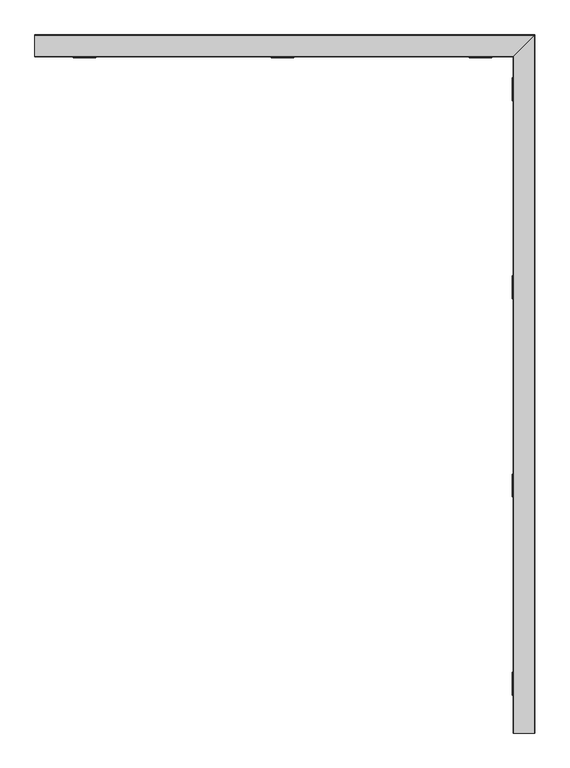
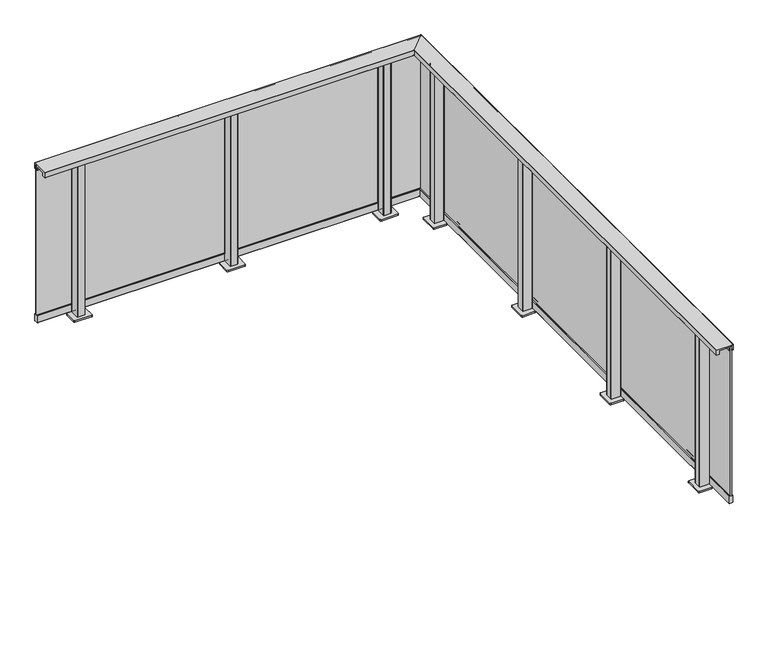
"""IFC4 building model written with IfcOpenShell, lengths in millimetres: railing geometry."""

from ifc_helpers import new_model, si_unit, point, frame, frame_2d, origin, origin_with_axes, place, context, project, spatial, polyline, circle_curve, ellipse_curve, trimmed, segment, composite_curve, outline, extrude, faceted_brep, source, transform, mapped, element, save
from ifc_brep_helpers import plane_surface, cylinder_surface, revolved_surface, advanced_brep


def railing_81383628(model_context):
    return source(origin(), model_context, "Body", "SolidModel", [
        advanced_brep(
        [(4306.0014149, -14629.5008183, 1100.0), (4305.5014149, -14629.5008183, 1099.5), (4305.5014149, -14629.5008183, 1065.5384355), (4306.0014149, -14629.5008183, 1065.0384355), (4325.4566873, -14629.5008183, 1065.0384355), (4325.4566873, -14629.5008183, 1088.0384355), (4391.4566873, -14629.5008183, 1088.0384355), (4391.4566873, -14629.5008183, 1065.0590672), (4394.2566873, -14629.5008183, 1065.0590672), (4394.2566873, -14629.5008183, 1066.2590672), (4393.4566873, -14629.5008183, 1066.2590672), (4393.4566873, -14629.5008183, 1097.5), (4393.9566873, -14629.5008183, 1098.0), (4410.9625786, -14629.5008183, 1098.0), (4411.4625786, -14629.5008183, 1097.5), (4411.4625786, -14629.5008183, 1066.2590672), (4410.6625786, -14629.5008183, 1066.2590672), (4410.6625786, -14629.5008183, 1065.0590672), (4414.9625786, -14629.5008183, 1065.0590672), (4415.4625786, -14629.5008183, 1065.5590672), (4415.4625786, -14629.5008183, 1099.5), (4414.9625786, -14629.5008183, 1100.0), (4306.0014149, -11214.4814002, 1100.0), (4305.5014149, -11214.9814002, 1099.5), (4305.5014149, -11214.9814002, 1065.5384355), (4306.0014149, -11214.4814002, 1065.0384355), (4325.4566873, -11195.0261277, 1065.0384355), (4325.4566873, -11195.0261277, 1088.0384355), (4391.4566873, -11129.0261277, 1088.0384355), (4391.4566873, -11129.0261277, 1065.0590672), (4394.2566873, -11126.2261277, 1065.0590672), (4394.2566873, -11126.2261277, 1066.2590672), (4393.4566873, -11127.0261277, 1066.2590672), (4393.4566873, -11127.0261277, 1097.5), (4393.9566873, -11126.5261277, 1098.0), (4410.9625786, -11109.5202365, 1098.0), (4411.4625786, -11109.0202365, 1097.5), (4411.4625786, -11109.0202365, 1066.2590672), (4410.6625786, -11109.8202365, 1066.2590672), (4410.6625786, -11109.8202365, 1065.0590672), (4414.9625786, -11105.5202365, 1065.0590672), (4415.4625786, -11105.0202365, 1065.5590672), (4415.4625786, -11105.0202365, 1099.5), (4414.9625786, -11105.5202365, 1100.0), (1890.9819967, -11214.4814002, 1100.0), (1890.9819967, -11105.5202365, 1100.0), (1890.9819967, -11105.0202365, 1099.5), (1890.9819967, -11105.0202365, 1065.5590672), (1890.9819967, -11105.5202365, 1065.0590672), (1890.9819967, -11109.8202365, 1065.0590672), (1890.9819967, -11109.8202365, 1066.2590672), (1890.9819967, -11109.0202365, 1066.2590672), (1890.9819967, -11109.0202365, 1097.5), (1890.9819967, -11109.5202365, 1098.0), (1890.9819967, -11126.5261277, 1098.0), (1890.9819967, -11127.0261277, 1097.5), (1890.9819967, -11127.0261277, 1066.2590672), (1890.9819967, -11126.2261277, 1066.2590672), (1890.9819967, -11126.2261277, 1065.0590672), (1890.9819967, -11129.0261277, 1065.0590672), (1890.9819967, -11129.0261277, 1088.0384355), (1890.9819967, -11195.0261277, 1088.0384355), (1890.9819967, -11195.0261277, 1065.0384355), (1890.9819967, -11214.4814002, 1065.0384355), (1890.9819967, -11214.9814002, 1065.5384355), (1890.9819967, -11214.9814002, 1099.5)],
        [
            (0, 1, circle_curve(frame((4306.0014149, -14629.5008183, 1099.5), z_axis=(0.0, -1.0, 0.0), x_axis=(1.0, 0.0, 0.0)), 0.5)),
            (1, 2),
            (2, 3, circle_curve(frame((4306.0014149, -14629.5008183, 1065.5384355), z_axis=(0.0, -1.0, 0.0), x_axis=(1.0, 0.0, 0.0)), 0.5)),
            (3, 4),
            (4, 5),
            (5, 6),
            (6, 7),
            (7, 8),
            (8, 9),
            (9, 10),
            (10, 11),
            (11, 12, circle_curve(frame((4393.9566873, -14629.5008183, 1097.5), z_axis=(0.0, 1.0, 0.0), x_axis=(1.0, 0.0, 0.0)), 0.5)),
            (12, 13),
            (13, 14, circle_curve(frame((4410.9625786, -14629.5008183, 1097.5), z_axis=(0.0, 1.0, 0.0), x_axis=(1.0, 0.0, 0.0)), 0.5)),
            (14, 15),
            (15, 16),
            (16, 17),
            (17, 18),
            (18, 19, circle_curve(frame((4414.9625786, -14629.5008183, 1065.5590672), z_axis=(0.0, -1.0, 0.0), x_axis=(1.0, 0.0, 0.0)), 0.5)),
            (19, 20),
            (20, 21, circle_curve(frame((4414.9625786, -14629.5008183, 1099.5), z_axis=(0.0, -1.0, 0.0), x_axis=(1.0, 0.0, 0.0)), 0.5)),
            (21, 0),
            (0, 22),
            (22, 23, ellipse_curve(frame((4306.0014149, -11214.4814002, 1099.5), z_axis=(0.7071067811865467, -0.7071067811865482, 0.0), x_axis=(-0.7071067811865482, -0.7071067811865469, 0.0)), 0.7071068, 0.5)),
            (23, 1),
            (23, 24),
            (24, 2),
            (24, 25, ellipse_curve(frame((4306.0014149, -11214.4814002, 1065.5384355), z_axis=(0.7071067811865467, -0.7071067811865482, 0.0), x_axis=(-0.7071067811865482, -0.7071067811865469, 0.0)), 0.7071068, 0.5)),
            (25, 3),
            (25, 26),
            (26, 4),
            (26, 27),
            (27, 5),
            (27, 28),
            (28, 6),
            (28, 29),
            (29, 7),
            (29, 30),
            (30, 8),
            (30, 31),
            (31, 9),
            (31, 32),
            (32, 10),
            (32, 33),
            (33, 11),
            (33, 34, ellipse_curve(frame((4393.9566873, -11126.5261277, 1097.5), z_axis=(-0.7071067811865467, 0.7071067811865482, 0.0), x_axis=(0.7071067811865482, 0.7071067811865469, 0.0)), 0.7071068, 0.5)),
            (34, 12),
            (34, 35),
            (35, 13),
            (35, 36, ellipse_curve(frame((4410.9625786, -11109.5202365, 1097.5), z_axis=(-0.7071067811865467, 0.7071067811865482, 0.0), x_axis=(0.7071067811865482, 0.7071067811865469, 0.0)), 0.7071068, 0.5)),
            (36, 14),
            (36, 37),
            (37, 15),
            (37, 38),
            (38, 16),
            (38, 39),
            (39, 17),
            (39, 40),
            (40, 18),
            (40, 41, ellipse_curve(frame((4414.9625786, -11105.5202365, 1065.5590672), z_axis=(0.7071067811865467, -0.7071067811865482, 0.0), x_axis=(-0.7071067811865482, -0.7071067811865469, 0.0)), 0.7071068, 0.5)),
            (41, 19),
            (41, 42),
            (42, 20),
            (42, 43, ellipse_curve(frame((4414.9625786, -11105.5202365, 1099.5), z_axis=(0.7071067811865467, -0.7071067811865482, 0.0), x_axis=(-0.7071067811865482, -0.7071067811865469, 0.0)), 0.7071068, 0.5)),
            (43, 21),
            (43, 22),
            (44, 45),
            (45, 46, circle_curve(frame((1890.9819967, -11105.5202365, 1099.5), z_axis=(-1.0, 0.0, 0.0), x_axis=(0.0, 1.0, 0.0)), 0.5)),
            (46, 47),
            (47, 48, circle_curve(frame((1890.9819967, -11105.5202365, 1065.5590672), z_axis=(-1.0, 0.0, 0.0), x_axis=(0.0, 1.0, 0.0)), 0.5)),
            (48, 49),
            (49, 50),
            (50, 51),
            (51, 52),
            (52, 53, circle_curve(frame((1890.9819967, -11109.5202365, 1097.5), z_axis=(1.0, 0.0, 0.0), x_axis=(0.0, 1.0, 0.0)), 0.5)),
            (53, 54),
            (54, 55, circle_curve(frame((1890.9819967, -11126.5261277, 1097.5), z_axis=(1.0, 0.0, 0.0), x_axis=(0.0, 1.0, 0.0)), 0.5)),
            (55, 56),
            (56, 57),
            (57, 58),
            (58, 59),
            (59, 60),
            (60, 61),
            (61, 62),
            (62, 63),
            (63, 64, circle_curve(frame((1890.9819967, -11214.4814002, 1065.5384355), z_axis=(-1.0, 0.0, 0.0), x_axis=(0.0, 1.0, 0.0)), 0.5)),
            (64, 65),
            (65, 44, circle_curve(frame((1890.9819967, -11214.4814002, 1099.5), z_axis=(-1.0, 0.0, 0.0), x_axis=(0.0, 1.0, 0.0)), 0.5)),
            (22, 44),
            (65, 23),
            (64, 24),
            (63, 25),
            (62, 26),
            (61, 27),
            (60, 28),
            (59, 29),
            (58, 30),
            (57, 31),
            (56, 32),
            (55, 33),
            (54, 34),
            (53, 35),
            (52, 36),
            (51, 37),
            (50, 38),
            (49, 39),
            (48, 40),
            (47, 41),
            (46, 42),
            (45, 43),
        ],
        [
            plane_surface(frame((4360.4819967, -14629.5008183, 1100.0), z_axis=(0.0, -1.0, 0.0), x_axis=(0.0, 0.0, 1.0))),
            cylinder_surface(frame((4306.0014149, -14629.5008183, 1099.5), z_axis=(0.0, -1.0, 0.0), x_axis=(1.0, 0.0, 0.0)), 0.5),
            plane_surface(frame((4305.5014149, -14629.5008183, 1099.5), z_axis=(-1.0, 0.0, 0.0), x_axis=(0.0, 1.0, 0.0))),
            cylinder_surface(frame((4306.0014149, -14629.5008183, 1065.5384355), z_axis=(0.0, -1.0, 0.0), x_axis=(1.0, 0.0, 0.0)), 0.5),
            plane_surface(frame((4306.0014149, -14629.5008183, 1065.0384355), z_axis=(0.0, 0.0, -1.0), x_axis=(0.0, 1.0, 0.0))),
            plane_surface(frame((4325.4566873, -14629.5008183, 1065.0384355), z_axis=(1.0, 0.0, 0.0), x_axis=(0.0, 1.0, 0.0))),
            plane_surface(frame((4325.4566873, -14629.5008183, 1088.0384355), z_axis=(0.0, 0.0, -1.0), x_axis=(0.0, 1.0, 0.0))),
            plane_surface(frame((4391.4566873, -14629.5008183, 1088.0384355), z_axis=(-1.0, 0.0, 0.0), x_axis=(0.0, 1.0, 0.0))),
            plane_surface(frame((4391.4566873, -14629.5008183, 1065.0590672), z_axis=(0.0, 0.0, -1.0), x_axis=(0.0, 1.0, 0.0))),
            plane_surface(frame((4394.2566873, -14629.5008183, 1065.0590672), z_axis=(1.0, 0.0, 0.0), x_axis=(0.0, 1.0, 0.0))),
            plane_surface(frame((4394.2566873, -14629.5008183, 1066.2590672), z_axis=(0.0, 0.0, 1.0), x_axis=(0.0, 1.0, 0.0))),
            plane_surface(frame((4393.4566873, -14629.5008183, 1066.2590672), z_axis=(1.0, 0.0, 0.0), x_axis=(0.0, 1.0, 0.0))),
            revolved_surface(polyline([(4394.4566873, -11126.026127686699, 1097.5), (4394.4566873, -14629.5008183, 1097.5)]), (4393.9566873, -14629.5008183, 1097.5), (0.0, 1.0, 0.0)),
            plane_surface(frame((4393.9566873, -14629.5008183, 1098.0), z_axis=(0.0, 0.0, -1.0), x_axis=(0.0, 1.0, 0.0))),
            revolved_surface(polyline([(4411.4625786, -11109.020236486696, 1097.5), (4411.4625786, -14629.5008183, 1097.5)]), (4410.9625786, -14629.5008183, 1097.5), (0.0, 1.0, 0.0)),
            plane_surface(frame((4411.4625786, -14629.5008183, 1097.5), z_axis=(-1.0, 0.0, 0.0), x_axis=(0.0, 1.0, 0.0))),
            plane_surface(frame((4411.4625786, -14629.5008183, 1066.2590672), z_axis=(0.0, 0.0, 1.0), x_axis=(0.0, 1.0, 0.0))),
            plane_surface(frame((4410.6625786, -14629.5008183, 1066.2590672), z_axis=(-1.0, 0.0, 0.0), x_axis=(0.0, 1.0, 0.0))),
            plane_surface(frame((4410.6625786, -14629.5008183, 1065.0590672), z_axis=(0.0, 0.0, -1.0), x_axis=(0.0, 1.0, 0.0))),
            cylinder_surface(frame((4414.9625786, -14629.5008183, 1065.5590672), z_axis=(0.0, -1.0, 0.0), x_axis=(1.0, 0.0, 0.0)), 0.5),
            plane_surface(frame((4415.4625786, -14629.5008183, 1065.5590672), z_axis=(1.0, 0.0, 0.0), x_axis=(0.0, 1.0, 0.0))),
            cylinder_surface(frame((4414.9625786, -14629.5008183, 1099.5), z_axis=(0.0, -1.0, 0.0), x_axis=(1.0, 0.0, 0.0)), 0.5),
            plane_surface(frame((4414.9625786, -14629.5008183, 1100.0), z_axis=(0.0, 0.0, 1.0), x_axis=(0.0, 1.0, 0.0))),
            plane_surface(frame((1890.9819967, -11160.0008183, 1100.0), z_axis=(-1.0, 0.0, 0.0), x_axis=(0.0, -1.0, 0.0))),
            cylinder_surface(frame((4360.4819967, -11214.4814002, 1099.5), z_axis=(1.0, 0.0, 0.0), x_axis=(0.0, 1.0, 0.0)), 0.5),
            plane_surface(frame((4305.5014149, -11214.9814002, 1099.5), z_axis=(0.0, -1.0, 0.0), x_axis=(-1.0, 0.0, 0.0))),
            cylinder_surface(frame((4360.4819967, -11214.4814002, 1065.5384355), z_axis=(1.0, 0.0, 0.0), x_axis=(0.0, 1.0, 0.0)), 0.5),
            plane_surface(frame((4306.0014149, -11214.4814002, 1065.0384355), z_axis=(0.0, 0.0, -1.0), x_axis=(-1.0, 0.0, 0.0))),
            plane_surface(frame((4325.4566873, -11195.0261277, 1065.0384355), z_axis=(0.0, 1.0, 0.0), x_axis=(-1.0, 0.0, 0.0))),
            plane_surface(frame((4325.4566873, -11195.0261277, 1088.0384355), z_axis=(0.0, 0.0, -1.0), x_axis=(-1.0, 0.0, 0.0))),
            plane_surface(frame((4391.4566873, -11129.0261277, 1088.0384355), z_axis=(0.0, -1.0, 0.0), x_axis=(-1.0, 0.0, 0.0))),
            plane_surface(frame((4391.4566873, -11129.0261277, 1065.0590672), z_axis=(0.0, 0.0, -1.0), x_axis=(-1.0, 0.0, 0.0))),
            plane_surface(frame((4394.2566873, -11126.2261277, 1065.0590672), z_axis=(0.0, 1.0, 0.0), x_axis=(-1.0, 0.0, 0.0))),
            plane_surface(frame((4394.2566873, -11126.2261277, 1066.2590672), z_axis=(0.0, 0.0, 1.0), x_axis=(-1.0, 0.0, 0.0))),
            plane_surface(frame((4393.4566873, -11127.0261277, 1066.2590672), z_axis=(0.0, 1.0, 0.0), x_axis=(-1.0, 0.0, 0.0))),
            revolved_surface(polyline([(1890.9819967000003, -11126.0261277, 1097.5), (4394.4566873133035, -11126.0261277, 1097.5)]), (4360.4819967, -11126.5261277, 1097.5), (-1.0, 0.0, 0.0)),
            plane_surface(frame((4393.9566873, -11126.5261277, 1098.0), z_axis=(0.0, 0.0, -1.0), x_axis=(-1.0, 0.0, 0.0))),
            revolved_surface(polyline([(1890.9819967000003, -11109.0202365, 1097.5), (4411.462578613303, -11109.0202365, 1097.5)]), (4360.4819967, -11109.5202365, 1097.5), (-1.0, 0.0, 0.0)),
            plane_surface(frame((4411.4625786, -11109.0202365, 1097.5), z_axis=(0.0, -1.0, 0.0), x_axis=(-1.0, 0.0, 0.0))),
            plane_surface(frame((4411.4625786, -11109.0202365, 1066.2590672), z_axis=(0.0, 0.0, 1.0), x_axis=(-1.0, 0.0, 0.0))),
            plane_surface(frame((4410.6625786, -11109.8202365, 1066.2590672), z_axis=(0.0, -1.0, 0.0), x_axis=(-1.0, 0.0, 0.0))),
            plane_surface(frame((4410.6625786, -11109.8202365, 1065.0590672), z_axis=(0.0, 0.0, -1.0), x_axis=(-1.0, 0.0, 0.0))),
            cylinder_surface(frame((4360.4819967, -11105.5202365, 1065.5590672), z_axis=(1.0, 0.0, 0.0), x_axis=(0.0, 1.0, 0.0)), 0.5),
            plane_surface(frame((4415.4625786, -11105.0202365, 1065.5590672), z_axis=(0.0, 1.0, 0.0), x_axis=(-1.0, 0.0, 0.0))),
            cylinder_surface(frame((4360.4819967, -11105.5202365, 1099.5), z_axis=(1.0, 0.0, 0.0), x_axis=(0.0, 1.0, 0.0)), 0.5),
            plane_surface(frame((4414.9625786, -11105.5202365, 1100.0), z_axis=(0.0, 0.0, 1.0), x_axis=(-1.0, 0.0, 0.0))),
        ],
        [
            (0, [[1, 2, 3, 4, 5, 6, 7, 8, 9, 10, 11, 12, 13, 14, 15, 16, 17, 18, 19, 20, 21, 22]]),
            (1, [[-1, 23, 24, 25]]),
            (2, [[-2, -25, 26, 27]]),
            (3, [[-3, -27, 28, 29]]),
            (4, [[-4, -29, 30, 31]]),
            (5, [[-5, -31, 32, 33]]),
            (6, [[-6, -33, 34, 35]]),
            (7, [[-7, -35, 36, 37]]),
            (8, [[-8, -37, 38, 39]]),
            (9, [[-9, -39, 40, 41]]),
            (10, [[-10, -41, 42, 43]]),
            (11, [[-11, -43, 44, 45]]),
            (12, [[-12, -45, 46, 47]]),
            (13, [[-13, -47, 48, 49]]),
            (14, [[-14, -49, 50, 51]]),
            (15, [[-15, -51, 52, 53]]),
            (16, [[-16, -53, 54, 55]]),
            (17, [[-17, -55, 56, 57]]),
            (18, [[-18, -57, 58, 59]]),
            (19, [[-19, -59, 60, 61]]),
            (20, [[-20, -61, 62, 63]]),
            (21, [[-21, -63, 64, 65]]),
            (22, [[-22, -65, 66, -23]]),
            (23, [[67, 68, 69, 70, 71, 72, 73, 74, 75, 76, 77, 78, 79, 80, 81, 82, 83, 84, 85, 86, 87, 88]]),
            (24, [[-24, 89, -88, 90]]),
            (25, [[-26, -90, -87, 91]]),
            (26, [[-28, -91, -86, 92]]),
            (27, [[-30, -92, -85, 93]]),
            (28, [[-32, -93, -84, 94]]),
            (29, [[-34, -94, -83, 95]]),
            (30, [[-36, -95, -82, 96]]),
            (31, [[-38, -96, -81, 97]]),
            (32, [[-40, -97, -80, 98]]),
            (33, [[-42, -98, -79, 99]]),
            (34, [[-44, -99, -78, 100]]),
            (35, [[-46, -100, -77, 101]]),
            (36, [[-48, -101, -76, 102]]),
            (37, [[-50, -102, -75, 103]]),
            (38, [[-52, -103, -74, 104]]),
            (39, [[-54, -104, -73, 105]]),
            (40, [[-56, -105, -72, 106]]),
            (41, [[-58, -106, -71, 107]]),
            (42, [[-60, -107, -70, 108]]),
            (43, [[-62, -108, -69, 109]]),
            (44, [[-64, -109, -68, 110]]),
            (45, [[-66, -110, -67, -89]]),
        ],
    ),
        faceted_brep([(4406.4819967, -14629.5008183, 1090.0), (4398.4819967, -14629.5008183, 1090.0), (4398.4819967, -14629.5008183, 60.0), (4406.4819967, -14629.5008183, 60.0), (4406.4819967, -11114.0008183, 1090.0), (4398.4819967, -11122.0008183, 1090.0), (4398.4819967, -11122.0008183, 60.0), (4406.4819967, -11114.0008183, 60.0), (1890.9819967, -11114.0008183, 1090.0), (1890.9819967, -11114.0008183, 60.0), (1890.9819967, -11122.0008183, 60.0), (1890.9819967, -11122.0008183, 1090.0)], [[[0, 1, 2, 3]], [[1, 0, 4, 5]], [[2, 1, 5, 6]], [[3, 2, 6, 7]], [[0, 3, 7, 4]], [[8, 9, 10, 11]], [[5, 4, 8, 11]], [[6, 5, 11, 10]], [[7, 6, 10, 9]], [[4, 7, 9, 8]]]),
        faceted_brep([(4393.1692541, -14629.5008183, 1065.2160621), (4392.1441664, -14629.5008183, 1065.2160621), (4392.1441664, -14629.5008183, 1063.6627783), (4398.4819967, -14629.5008183, 1061.8454347), (4398.4819967, -14629.5008183, 1072.0), (4393.1692541, -14629.5008183, 1074.1464874), (4393.1692541, -11127.313561, 1065.2160621), (4392.1441664, -11128.3386487, 1065.2160621), (4392.1441664, -11128.3386487, 1063.6627783), (4398.4819967, -11122.0008183, 1061.8454347), (4398.4819967, -11122.0008183, 1072.0), (4393.1692541, -11127.313561, 1074.1464874), (1890.9819967, -11127.313561, 1065.2160621), (1890.9819967, -11127.313561, 1074.1464874), (1890.9819967, -11122.0008183, 1072.0), (1890.9819967, -11122.0008183, 1061.8454347), (1890.9819967, -11128.3386487, 1063.6627783), (1890.9819967, -11128.3386487, 1065.2160621)], [[[0, 1, 2, 3, 4, 5]], [[1, 0, 6, 7]], [[2, 1, 7, 8]], [[3, 2, 8, 9]], [[4, 3, 9, 10]], [[5, 4, 10, 11]], [[0, 5, 11, 6]], [[12, 13, 14, 15, 16, 17]], [[7, 6, 12, 17]], [[8, 7, 17, 16]], [[9, 8, 16, 15]], [[10, 9, 15, 14]], [[11, 10, 14, 13]], [[6, 11, 13, 12]]]),
        faceted_brep([(4411.7947394, -14629.5008183, 1065.2160621), (4411.7947394, -14629.5008183, 1074.1464874), (4406.4819967, -14629.5008183, 1072.0), (4406.4819967, -14629.5008183, 1061.8454347), (4412.8198271, -14629.5008183, 1063.6627783), (4412.8198271, -14629.5008183, 1065.2160621), (4411.7947394, -11108.6880757, 1065.2160621), (4411.7947394, -11108.6880757, 1074.1464874), (4406.4819967, -11114.0008183, 1072.0), (4406.4819967, -11114.0008183, 1061.8454347), (4412.8198271, -11107.662988, 1063.6627783), (4412.8198271, -11107.662988, 1065.2160621), (1890.9819967, -11108.6880757, 1065.2160621), (1890.9819967, -11107.662988, 1065.2160621), (1890.9819967, -11107.662988, 1063.6627783), (1890.9819967, -11114.0008183, 1061.8454347), (1890.9819967, -11114.0008183, 1072.0), (1890.9819967, -11108.6880757, 1074.1464874)], [[[0, 1, 2, 3, 4, 5]], [[1, 0, 6, 7]], [[2, 1, 7, 8]], [[3, 2, 8, 9]], [[4, 3, 9, 10]], [[5, 4, 10, 11]], [[0, 5, 11, 6]], [[12, 13, 14, 15, 16, 17]], [[7, 6, 12, 17]], [[8, 7, 17, 16]], [[9, 8, 16, 15]], [[10, 9, 15, 14]], [[11, 10, 14, 13]], [[6, 11, 13, 12]]]),
        advanced_brep(
        [(4413.9819967, -14629.5008183, 10.0), (4414.4819967, -14629.5008183, 10.5), (4414.4819967, -14629.5008183, 59.5), (4413.9819967, -14629.5008183, 60.0), (4390.9819967, -14629.5008183, 60.0), (4390.4819967, -14629.5008183, 59.5), (4390.4819967, -14629.5008183, 10.5), (4390.9819967, -14629.5008183, 10.0), (4413.9819967, -11106.5008183, 10.0), (4414.4819967, -11106.0008183, 10.5), (4414.4819967, -11106.0008183, 59.5), (4413.9819967, -11106.5008183, 60.0), (4390.9819967, -11129.5008183, 60.0), (4390.4819967, -11130.0008183, 59.5), (4390.4819967, -11130.0008183, 10.5), (4390.9819967, -11129.5008183, 10.0), (1890.9819967, -11106.5008183, 10.0), (1890.9819967, -11129.5008183, 10.0), (1890.9819967, -11130.0008183, 10.5), (1890.9819967, -11130.0008183, 59.5), (1890.9819967, -11129.5008183, 60.0), (1890.9819967, -11106.5008183, 60.0), (1890.9819967, -11106.0008183, 59.5), (1890.9819967, -11106.0008183, 10.5)],
        [
            (0, 1, circle_curve(frame((4413.9819967, -14629.5008183, 10.5), z_axis=(0.0, -1.0, 0.0), x_axis=(1.0, 0.0, 0.0)), 0.5)),
            (1, 2),
            (2, 3, circle_curve(frame((4413.9819967, -14629.5008183, 59.5), z_axis=(0.0, -1.0, 0.0), x_axis=(1.0, 0.0, 0.0)), 0.5)),
            (3, 4),
            (4, 5, circle_curve(frame((4390.9819967, -14629.5008183, 59.5), z_axis=(0.0, -1.0, 0.0), x_axis=(1.0, 0.0, 0.0)), 0.5)),
            (5, 6),
            (6, 7, circle_curve(frame((4390.9819967, -14629.5008183, 10.5), z_axis=(0.0, -1.0, 0.0), x_axis=(1.0, 0.0, 0.0)), 0.5)),
            (7, 0),
            (0, 8),
            (8, 9, ellipse_curve(frame((4413.9819967, -11106.5008183, 10.5), z_axis=(0.7071067811865467, -0.7071067811865482, 0.0), x_axis=(-0.7071067811865482, -0.7071067811865469, 0.0)), 0.7071068, 0.5)),
            (9, 1),
            (9, 10),
            (10, 2),
            (10, 11, ellipse_curve(frame((4413.9819967, -11106.5008183, 59.5), z_axis=(0.7071067811865467, -0.7071067811865482, 0.0), x_axis=(-0.7071067811865482, -0.7071067811865469, 0.0)), 0.7071068, 0.5)),
            (11, 3),
            (11, 12),
            (12, 4),
            (12, 13, ellipse_curve(frame((4390.9819967, -11129.5008183, 59.5), z_axis=(0.7071067811865467, -0.7071067811865482, 0.0), x_axis=(-0.7071067811865482, -0.7071067811865469, 0.0)), 0.7071068, 0.5)),
            (13, 5),
            (13, 14),
            (14, 6),
            (14, 15, ellipse_curve(frame((4390.9819967, -11129.5008183, 10.5), z_axis=(0.7071067811865467, -0.7071067811865482, 0.0), x_axis=(-0.7071067811865482, -0.7071067811865469, 0.0)), 0.7071068, 0.5)),
            (15, 7),
            (15, 8),
            (16, 17),
            (17, 18, circle_curve(frame((1890.9819967, -11129.5008183, 10.5), z_axis=(-1.0, 0.0, 0.0), x_axis=(0.0, 1.0, 0.0)), 0.5)),
            (18, 19),
            (19, 20, circle_curve(frame((1890.9819967, -11129.5008183, 59.5), z_axis=(-1.0, 0.0, 0.0), x_axis=(0.0, 1.0, 0.0)), 0.5)),
            (20, 21),
            (21, 22, circle_curve(frame((1890.9819967, -11106.5008183, 59.5), z_axis=(-1.0, 0.0, 0.0), x_axis=(0.0, 1.0, 0.0)), 0.5)),
            (22, 23),
            (23, 16, circle_curve(frame((1890.9819967, -11106.5008183, 10.5), z_axis=(-1.0, 0.0, 0.0), x_axis=(0.0, 1.0, 0.0)), 0.5)),
            (8, 16),
            (23, 9),
            (22, 10),
            (21, 11),
            (20, 12),
            (19, 13),
            (18, 14),
            (17, 15),
        ],
        [
            plane_surface(frame((4402.4819967, -14629.5008183, 10.0), z_axis=(0.0, -1.0, 0.0), x_axis=(0.0, 0.0, 1.0))),
            cylinder_surface(frame((4413.9819967, -14629.5008183, 10.5), z_axis=(0.0, -1.0, 0.0), x_axis=(1.0, 0.0, 0.0)), 0.5),
            plane_surface(frame((4414.4819967, -14629.5008183, 10.5), z_axis=(1.0, 0.0, 0.0), x_axis=(0.0, 1.0, 0.0))),
            cylinder_surface(frame((4413.9819967, -14629.5008183, 59.5), z_axis=(0.0, -1.0, 0.0), x_axis=(1.0, 0.0, 0.0)), 0.5),
            plane_surface(frame((4413.9819967, -14629.5008183, 60.0), z_axis=(0.0, 0.0, 1.0), x_axis=(0.0, 1.0, 0.0))),
            cylinder_surface(frame((4390.9819967, -14629.5008183, 59.5), z_axis=(0.0, -1.0, 0.0), x_axis=(1.0, 0.0, 0.0)), 0.5),
            plane_surface(frame((4390.4819967, -14629.5008183, 59.5), z_axis=(-1.0, 0.0, 0.0), x_axis=(0.0, 1.0, 0.0))),
            cylinder_surface(frame((4390.9819967, -14629.5008183, 10.5), z_axis=(0.0, -1.0, 0.0), x_axis=(1.0, 0.0, 0.0)), 0.5),
            plane_surface(frame((4390.9819967, -14629.5008183, 10.0), z_axis=(0.0, 0.0, -1.0), x_axis=(0.0, 1.0, 0.0))),
            plane_surface(frame((1890.9819967, -11118.0008183, 10.0), z_axis=(-1.0, 0.0, 0.0), x_axis=(0.0, -1.0, 0.0))),
            cylinder_surface(frame((4402.4819967, -11106.5008183, 10.5), z_axis=(1.0, 0.0, 0.0), x_axis=(0.0, 1.0, 0.0)), 0.5),
            plane_surface(frame((4414.4819967, -11106.0008183, 10.5), z_axis=(0.0, 1.0, 0.0), x_axis=(-1.0, 0.0, 0.0))),
            cylinder_surface(frame((4402.4819967, -11106.5008183, 59.5), z_axis=(1.0, 0.0, 0.0), x_axis=(0.0, 1.0, 0.0)), 0.5),
            plane_surface(frame((4413.9819967, -11106.5008183, 60.0), z_axis=(0.0, 0.0, 1.0), x_axis=(-1.0, 0.0, 0.0))),
            cylinder_surface(frame((4402.4819967, -11129.5008183, 59.5), z_axis=(1.0, 0.0, 0.0), x_axis=(0.0, 1.0, 0.0)), 0.5),
            plane_surface(frame((4390.4819967, -11130.0008183, 59.5), z_axis=(0.0, -1.0, 0.0), x_axis=(-1.0, 0.0, 0.0))),
            cylinder_surface(frame((4402.4819967, -11129.5008183, 10.5), z_axis=(1.0, 0.0, 0.0), x_axis=(0.0, 1.0, 0.0)), 0.5),
            plane_surface(frame((4390.9819967, -11129.5008183, 10.0), z_axis=(0.0, 0.0, -1.0), x_axis=(-1.0, 0.0, 0.0))),
        ],
        [
            (0, [[1, 2, 3, 4, 5, 6, 7, 8]]),
            (1, [[-1, 9, 10, 11]]),
            (2, [[-2, -11, 12, 13]]),
            (3, [[-3, -13, 14, 15]]),
            (4, [[-4, -15, 16, 17]]),
            (5, [[-5, -17, 18, 19]]),
            (6, [[-6, -19, 20, 21]]),
            (7, [[-7, -21, 22, 23]]),
            (8, [[-8, -23, 24, -9]]),
            (9, [[25, 26, 27, 28, 29, 30, 31, 32]]),
            (10, [[-10, 33, -32, 34]]),
            (11, [[-12, -34, -31, 35]]),
            (12, [[-14, -35, -30, 36]]),
            (13, [[-16, -36, -29, 37]]),
            (14, [[-18, -37, -28, 38]]),
            (15, [[-20, -38, -27, 39]]),
            (16, [[-22, -39, -26, 40]]),
            (17, [[-24, -40, -25, -33]]),
        ],
    ),
        extrude(outline(composite_curve([segment(trimmed(circle_curve(frame_2d((2163.5245384, -11192.0008183)), 2.5), [point((2166.0245384, -11192.0008183))], [point((2163.5245384, -11194.5008183))], False, "CARTESIAN"), True, "CONTINUOUS"), segment(polyline([(2163.5245384, -11194.5008183), (2118.5245384, -11194.5008183)]), True, "CONTINUOUS"), segment(trimmed(circle_curve(frame_2d((2118.5245384, -11192.0008183)), 2.5), [point((2118.5245384, -11194.5008183))], [point((2116.0245384, -11192.0008183))], False, "CARTESIAN"), True, "CONTINUOUS"), segment(polyline([(2116.0245384, -11192.0008183), (2116.0245384, -11132.0008183)]), True, "CONTINUOUS"), segment(trimmed(circle_curve(frame_2d((2118.5245384, -11132.0008183)), 2.5), [point((2116.0245384, -11132.0008183))], [point((2118.5245384, -11129.5008183))], False, "CARTESIAN"), True, "CONTINUOUS"), segment(polyline([(2118.5245384, -11129.5008183), (2163.5245384, -11129.5008183)]), True, "CONTINUOUS"), segment(trimmed(circle_curve(frame_2d((2163.5245384, -11132.0008183)), 2.5), [point((2163.5245384, -11129.5008183))], [point((2166.0245384, -11132.0008183))], False, "CARTESIAN"), True, "CONTINUOUS"), segment(polyline([(2166.0245384, -11132.0008183), (2166.0245384, -11192.0008183)]), True, "CONTINUOUS")], self_intersect=False)), frame((0.0, 0.0, 10.0), z_axis=(0.0, 0.0, 1.0), x_axis=(1.0, 0.0, 0.0)), (0.0, 0.0, 1.0), 1078.0384355),
        extrude(outline(composite_curve([segment(trimmed(circle_curve(frame_2d((2195.9819967, -11214.6061483)), 5.0), [point((2200.9819967, -11214.6061483))], [point((2195.9819967, -11219.6061483))], False, "CARTESIAN"), True, "CONTINUOUS"), segment(polyline([(2195.9819967, -11219.6061483), (2086.1755136, -11219.6061483)]), True, "CONTINUOUS"), segment(trimmed(circle_curve(frame_2d((2086.1755136, -11214.6061483)), 5.0), [point((2086.1755136, -11219.6061483))], [point((2081.1755136, -11214.6061483))], False, "CARTESIAN"), True, "CONTINUOUS"), segment(polyline([(2081.1755136, -11214.6061483), (2081.1755136, -11134.5008183)]), True, "CONTINUOUS"), segment(trimmed(circle_curve(frame_2d((2086.1755136, -11134.5008183)), 5.0), [point((2081.1755136, -11134.5008183))], [point((2086.1755136, -11129.5008183))], False, "CARTESIAN"), True, "CONTINUOUS"), segment(polyline([(2086.1755136, -11129.5008183), (2195.9819967, -11129.5008183)]), True, "CONTINUOUS"), segment(trimmed(circle_curve(frame_2d((2195.9819967, -11134.5008183)), 5.0), [point((2195.9819967, -11129.5008183))], [point((2200.9819967, -11134.5008183))], False, "CARTESIAN"), True, "CONTINUOUS"), segment(polyline([(2200.9819967, -11134.5008183), (2200.9819967, -11214.6061483)]), True, "CONTINUOUS")], self_intersect=False)), origin_with_axes(), (0.0, 0.0, 1.0), 10.0),
        extrude(outline(composite_curve([segment(trimmed(circle_curve(frame_2d((3163.5245384, -11192.0008183)), 2.5), [point((3166.0245384, -11192.0008183))], [point((3163.5245384, -11194.5008183))], False, "CARTESIAN"), True, "CONTINUOUS"), segment(polyline([(3163.5245384, -11194.5008183), (3118.5245384, -11194.5008183)]), True, "CONTINUOUS"), segment(trimmed(circle_curve(frame_2d((3118.5245384, -11192.0008183)), 2.5), [point((3118.5245384, -11194.5008183))], [point((3116.0245384, -11192.0008183))], False, "CARTESIAN"), True, "CONTINUOUS"), segment(polyline([(3116.0245384, -11192.0008183), (3116.0245384, -11132.0008183)]), True, "CONTINUOUS"), segment(trimmed(circle_curve(frame_2d((3118.5245384, -11132.0008183)), 2.5), [point((3116.0245384, -11132.0008183))], [point((3118.5245384, -11129.5008183))], False, "CARTESIAN"), True, "CONTINUOUS"), segment(polyline([(3118.5245384, -11129.5008183), (3163.5245384, -11129.5008183)]), True, "CONTINUOUS"), segment(trimmed(circle_curve(frame_2d((3163.5245384, -11132.0008183)), 2.5), [point((3163.5245384, -11129.5008183))], [point((3166.0245384, -11132.0008183))], False, "CARTESIAN"), True, "CONTINUOUS"), segment(polyline([(3166.0245384, -11132.0008183), (3166.0245384, -11192.0008183)]), True, "CONTINUOUS")], self_intersect=False)), frame((0.0, 0.0, 10.0), z_axis=(0.0, 0.0, 1.0), x_axis=(1.0, 0.0, 0.0)), (0.0, 0.0, 1.0), 1078.0384355),
        extrude(outline(composite_curve([segment(trimmed(circle_curve(frame_2d((3195.9819967, -11214.6061483)), 5.0), [point((3200.9819967, -11214.6061483))], [point((3195.9819967, -11219.6061483))], False, "CARTESIAN"), True, "CONTINUOUS"), segment(polyline([(3195.9819967, -11219.6061483), (3086.1755136, -11219.6061483)]), True, "CONTINUOUS"), segment(trimmed(circle_curve(frame_2d((3086.1755136, -11214.6061483)), 5.0), [point((3086.1755136, -11219.6061483))], [point((3081.1755136, -11214.6061483))], False, "CARTESIAN"), True, "CONTINUOUS"), segment(polyline([(3081.1755136, -11214.6061483), (3081.1755136, -11134.5008183)]), True, "CONTINUOUS"), segment(trimmed(circle_curve(frame_2d((3086.1755136, -11134.5008183)), 5.0), [point((3081.1755136, -11134.5008183))], [point((3086.1755136, -11129.5008183))], False, "CARTESIAN"), True, "CONTINUOUS"), segment(polyline([(3086.1755136, -11129.5008183), (3195.9819967, -11129.5008183)]), True, "CONTINUOUS"), segment(trimmed(circle_curve(frame_2d((3195.9819967, -11134.5008183)), 5.0), [point((3195.9819967, -11129.5008183))], [point((3200.9819967, -11134.5008183))], False, "CARTESIAN"), True, "CONTINUOUS"), segment(polyline([(3200.9819967, -11134.5008183), (3200.9819967, -11214.6061483)]), True, "CONTINUOUS")], self_intersect=False)), origin_with_axes(), (0.0, 0.0, 1.0), 10.0),
        extrude(outline(composite_curve([segment(trimmed(circle_curve(frame_2d((4163.5245384, -11192.0008183)), 2.5), [point((4166.0245384, -11192.0008183))], [point((4163.5245384, -11194.5008183))], False, "CARTESIAN"), True, "CONTINUOUS"), segment(polyline([(4163.5245384, -11194.5008183), (4118.5245384, -11194.5008183)]), True, "CONTINUOUS"), segment(trimmed(circle_curve(frame_2d((4118.5245384, -11192.0008183)), 2.5), [point((4118.5245384, -11194.5008183))], [point((4116.0245384, -11192.0008183))], False, "CARTESIAN"), True, "CONTINUOUS"), segment(polyline([(4116.0245384, -11192.0008183), (4116.0245384, -11132.0008183)]), True, "CONTINUOUS"), segment(trimmed(circle_curve(frame_2d((4118.5245384, -11132.0008183)), 2.5), [point((4116.0245384, -11132.0008183))], [point((4118.5245384, -11129.5008183))], False, "CARTESIAN"), True, "CONTINUOUS"), segment(polyline([(4118.5245384, -11129.5008183), (4163.5245384, -11129.5008183)]), True, "CONTINUOUS"), segment(trimmed(circle_curve(frame_2d((4163.5245384, -11132.0008183)), 2.5), [point((4163.5245384, -11129.5008183))], [point((4166.0245384, -11132.0008183))], False, "CARTESIAN"), True, "CONTINUOUS"), segment(polyline([(4166.0245384, -11132.0008183), (4166.0245384, -11192.0008183)]), True, "CONTINUOUS")], self_intersect=False)), frame((0.0, 0.0, 10.0), z_axis=(0.0, 0.0, 1.0), x_axis=(1.0, 0.0, 0.0)), (0.0, 0.0, 1.0), 1078.0384355),
        extrude(outline(composite_curve([segment(trimmed(circle_curve(frame_2d((4195.9819967, -11214.6061483)), 5.0), [point((4200.9819967, -11214.6061483))], [point((4195.9819967, -11219.6061483))], False, "CARTESIAN"), True, "CONTINUOUS"), segment(polyline([(4195.9819967, -11219.6061483), (4086.1755136, -11219.6061483)]), True, "CONTINUOUS"), segment(trimmed(circle_curve(frame_2d((4086.1755136, -11214.6061483)), 5.0), [point((4086.1755136, -11219.6061483))], [point((4081.1755136, -11214.6061483))], False, "CARTESIAN"), True, "CONTINUOUS"), segment(polyline([(4081.1755136, -11214.6061483), (4081.1755136, -11134.5008183)]), True, "CONTINUOUS"), segment(trimmed(circle_curve(frame_2d((4086.1755136, -11134.5008183)), 5.0), [point((4081.1755136, -11134.5008183))], [point((4086.1755136, -11129.5008183))], False, "CARTESIAN"), True, "CONTINUOUS"), segment(polyline([(4086.1755136, -11129.5008183), (4195.9819967, -11129.5008183)]), True, "CONTINUOUS"), segment(trimmed(circle_curve(frame_2d((4195.9819967, -11134.5008183)), 5.0), [point((4195.9819967, -11129.5008183))], [point((4200.9819967, -11134.5008183))], False, "CARTESIAN"), True, "CONTINUOUS"), segment(polyline([(4200.9819967, -11134.5008183), (4200.9819967, -11214.6061483)]), True, "CONTINUOUS")], self_intersect=False)), origin_with_axes(), (0.0, 0.0, 1.0), 10.0),
        extrude(outline(composite_curve([segment(trimmed(circle_curve(frame_2d((4328.4819967, -11402.04336)), 2.5), [point((4328.4819967, -11404.54336))], [point((4325.9819967, -11402.04336))], False, "CARTESIAN"), True, "CONTINUOUS"), segment(polyline([(4325.9819967, -11402.04336), (4325.9819967, -11357.04336)]), True, "CONTINUOUS"), segment(trimmed(circle_curve(frame_2d((4328.4819967, -11357.04336)), 2.5), [point((4325.9819967, -11357.04336))], [point((4328.4819967, -11354.54336))], False, "CARTESIAN"), True, "CONTINUOUS"), segment(polyline([(4328.4819967, -11354.54336), (4388.4819967, -11354.54336)]), True, "CONTINUOUS"), segment(trimmed(circle_curve(frame_2d((4388.4819967, -11357.04336)), 2.5), [point((4388.4819967, -11354.54336))], [point((4390.9819967, -11357.04336))], False, "CARTESIAN"), True, "CONTINUOUS"), segment(polyline([(4390.9819967, -11357.04336), (4390.9819967, -11402.04336)]), True, "CONTINUOUS"), segment(trimmed(circle_curve(frame_2d((4388.4819967, -11402.04336)), 2.5), [point((4390.9819967, -11402.04336))], [point((4388.4819967, -11404.54336))], False, "CARTESIAN"), True, "CONTINUOUS"), segment(polyline([(4388.4819967, -11404.54336), (4328.4819967, -11404.54336)]), True, "CONTINUOUS")], self_intersect=False)), frame((0.0, 0.0, 10.0), z_axis=(0.0, 0.0, 1.0), x_axis=(1.0, 0.0, 0.0)), (0.0, 0.0, 1.0), 1078.0384355),
        extrude(outline(composite_curve([segment(trimmed(circle_curve(frame_2d((4305.8766668, -11434.5008183)), 5.0), [point((4305.8766668, -11439.5008183))], [point((4300.8766668, -11434.5008183))], False, "CARTESIAN"), True, "CONTINUOUS"), segment(polyline([(4300.8766668, -11434.5008183), (4300.8766668, -11324.6943352)]), True, "CONTINUOUS"), segment(trimmed(circle_curve(frame_2d((4305.8766668, -11324.6943352)), 5.0), [point((4300.8766668, -11324.6943352))], [point((4305.8766668, -11319.6943352))], False, "CARTESIAN"), True, "CONTINUOUS"), segment(polyline([(4305.8766668, -11319.6943352), (4385.9819967, -11319.6943352)]), True, "CONTINUOUS"), segment(trimmed(circle_curve(frame_2d((4385.9819967, -11324.6943352)), 5.0), [point((4385.9819967, -11319.6943352))], [point((4390.9819967, -11324.6943352))], False, "CARTESIAN"), True, "CONTINUOUS"), segment(polyline([(4390.9819967, -11324.6943352), (4390.9819967, -11434.5008183)]), True, "CONTINUOUS"), segment(trimmed(circle_curve(frame_2d((4385.9819967, -11434.5008183)), 5.0), [point((4390.9819967, -11434.5008183))], [point((4385.9819967, -11439.5008183))], False, "CARTESIAN"), True, "CONTINUOUS"), segment(polyline([(4385.9819967, -11439.5008183), (4305.8766668, -11439.5008183)]), True, "CONTINUOUS")], self_intersect=False)), origin_with_axes(), (0.0, 0.0, 1.0), 10.0),
        extrude(outline(composite_curve([segment(trimmed(circle_curve(frame_2d((4328.4819967, -12402.04336)), 2.5), [point((4328.4819967, -12404.54336))], [point((4325.9819967, -12402.04336))], False, "CARTESIAN"), True, "CONTINUOUS"), segment(polyline([(4325.9819967, -12402.04336), (4325.9819967, -12357.04336)]), True, "CONTINUOUS"), segment(trimmed(circle_curve(frame_2d((4328.4819967, -12357.04336)), 2.5), [point((4325.9819967, -12357.04336))], [point((4328.4819967, -12354.54336))], False, "CARTESIAN"), True, "CONTINUOUS"), segment(polyline([(4328.4819967, -12354.54336), (4388.4819967, -12354.54336)]), True, "CONTINUOUS"), segment(trimmed(circle_curve(frame_2d((4388.4819967, -12357.04336)), 2.5), [point((4388.4819967, -12354.54336))], [point((4390.9819967, -12357.04336))], False, "CARTESIAN"), True, "CONTINUOUS"), segment(polyline([(4390.9819967, -12357.04336), (4390.9819967, -12402.04336)]), True, "CONTINUOUS"), segment(trimmed(circle_curve(frame_2d((4388.4819967, -12402.04336)), 2.5), [point((4390.9819967, -12402.04336))], [point((4388.4819967, -12404.54336))], False, "CARTESIAN"), True, "CONTINUOUS"), segment(polyline([(4388.4819967, -12404.54336), (4328.4819967, -12404.54336)]), True, "CONTINUOUS")], self_intersect=False)), frame((0.0, 0.0, 10.0), z_axis=(0.0, 0.0, 1.0), x_axis=(1.0, 0.0, 0.0)), (0.0, 0.0, 1.0), 1078.0384355),
        extrude(outline(composite_curve([segment(trimmed(circle_curve(frame_2d((4305.8766668, -12434.5008183)), 5.0), [point((4305.8766668, -12439.5008183))], [point((4300.8766668, -12434.5008183))], False, "CARTESIAN"), True, "CONTINUOUS"), segment(polyline([(4300.8766668, -12434.5008183), (4300.8766668, -12324.6943352)]), True, "CONTINUOUS"), segment(trimmed(circle_curve(frame_2d((4305.8766668, -12324.6943352)), 5.0), [point((4300.8766668, -12324.6943352))], [point((4305.8766668, -12319.6943352))], False, "CARTESIAN"), True, "CONTINUOUS"), segment(polyline([(4305.8766668, -12319.6943352), (4385.9819967, -12319.6943352)]), True, "CONTINUOUS"), segment(trimmed(circle_curve(frame_2d((4385.9819967, -12324.6943352)), 5.0), [point((4385.9819967, -12319.6943352))], [point((4390.9819967, -12324.6943352))], False, "CARTESIAN"), True, "CONTINUOUS"), segment(polyline([(4390.9819967, -12324.6943352), (4390.9819967, -12434.5008183)]), True, "CONTINUOUS"), segment(trimmed(circle_curve(frame_2d((4385.9819967, -12434.5008183)), 5.0), [point((4390.9819967, -12434.5008183))], [point((4385.9819967, -12439.5008183))], False, "CARTESIAN"), True, "CONTINUOUS"), segment(polyline([(4385.9819967, -12439.5008183), (4305.8766668, -12439.5008183)]), True, "CONTINUOUS")], self_intersect=False)), origin_with_axes(), (0.0, 0.0, 1.0), 10.0),
        extrude(outline(composite_curve([segment(trimmed(circle_curve(frame_2d((4328.4819967, -13402.04336)), 2.5), [point((4328.4819967, -13404.54336))], [point((4325.9819967, -13402.04336))], False, "CARTESIAN"), True, "CONTINUOUS"), segment(polyline([(4325.9819967, -13402.04336), (4325.9819967, -13357.04336)]), True, "CONTINUOUS"), segment(trimmed(circle_curve(frame_2d((4328.4819967, -13357.04336)), 2.5), [point((4325.9819967, -13357.04336))], [point((4328.4819967, -13354.54336))], False, "CARTESIAN"), True, "CONTINUOUS"), segment(polyline([(4328.4819967, -13354.54336), (4388.4819967, -13354.54336)]), True, "CONTINUOUS"), segment(trimmed(circle_curve(frame_2d((4388.4819967, -13357.04336)), 2.5), [point((4388.4819967, -13354.54336))], [point((4390.9819967, -13357.04336))], False, "CARTESIAN"), True, "CONTINUOUS"), segment(polyline([(4390.9819967, -13357.04336), (4390.9819967, -13402.04336)]), True, "CONTINUOUS"), segment(trimmed(circle_curve(frame_2d((4388.4819967, -13402.04336)), 2.5), [point((4390.9819967, -13402.04336))], [point((4388.4819967, -13404.54336))], False, "CARTESIAN"), True, "CONTINUOUS"), segment(polyline([(4388.4819967, -13404.54336), (4328.4819967, -13404.54336)]), True, "CONTINUOUS")], self_intersect=False)), frame((0.0, 0.0, 10.0), z_axis=(0.0, 0.0, 1.0), x_axis=(1.0, 0.0, 0.0)), (0.0, 0.0, 1.0), 1078.0384355),
        extrude(outline(composite_curve([segment(trimmed(circle_curve(frame_2d((4305.8766668, -13434.5008183)), 5.0), [point((4305.8766668, -13439.5008183))], [point((4300.8766668, -13434.5008183))], False, "CARTESIAN"), True, "CONTINUOUS"), segment(polyline([(4300.8766668, -13434.5008183), (4300.8766668, -13324.6943352)]), True, "CONTINUOUS"), segment(trimmed(circle_curve(frame_2d((4305.8766668, -13324.6943352)), 5.0), [point((4300.8766668, -13324.6943352))], [point((4305.8766668, -13319.6943352))], False, "CARTESIAN"), True, "CONTINUOUS"), segment(polyline([(4305.8766668, -13319.6943352), (4385.9819967, -13319.6943352)]), True, "CONTINUOUS"), segment(trimmed(circle_curve(frame_2d((4385.9819967, -13324.6943352)), 5.0), [point((4385.9819967, -13319.6943352))], [point((4390.9819967, -13324.6943352))], False, "CARTESIAN"), True, "CONTINUOUS"), segment(polyline([(4390.9819967, -13324.6943352), (4390.9819967, -13434.5008183)]), True, "CONTINUOUS"), segment(trimmed(circle_curve(frame_2d((4385.9819967, -13434.5008183)), 5.0), [point((4390.9819967, -13434.5008183))], [point((4385.9819967, -13439.5008183))], False, "CARTESIAN"), True, "CONTINUOUS"), segment(polyline([(4385.9819967, -13439.5008183), (4305.8766668, -13439.5008183)]), True, "CONTINUOUS")], self_intersect=False)), origin_with_axes(), (0.0, 0.0, 1.0), 10.0),
        extrude(outline(composite_curve([segment(trimmed(circle_curve(frame_2d((4328.4819967, -14402.04336)), 2.5), [point((4328.4819967, -14404.54336))], [point((4325.9819967, -14402.04336))], False, "CARTESIAN"), True, "CONTINUOUS"), segment(polyline([(4325.9819967, -14402.04336), (4325.9819967, -14357.04336)]), True, "CONTINUOUS"), segment(trimmed(circle_curve(frame_2d((4328.4819967, -14357.04336)), 2.5), [point((4325.9819967, -14357.04336))], [point((4328.4819967, -14354.54336))], False, "CARTESIAN"), True, "CONTINUOUS"), segment(polyline([(4328.4819967, -14354.54336), (4388.4819967, -14354.54336)]), True, "CONTINUOUS"), segment(trimmed(circle_curve(frame_2d((4388.4819967, -14357.04336)), 2.5), [point((4388.4819967, -14354.54336))], [point((4390.9819967, -14357.04336))], False, "CARTESIAN"), True, "CONTINUOUS"), segment(polyline([(4390.9819967, -14357.04336), (4390.9819967, -14402.04336)]), True, "CONTINUOUS"), segment(trimmed(circle_curve(frame_2d((4388.4819967, -14402.04336)), 2.5), [point((4390.9819967, -14402.04336))], [point((4388.4819967, -14404.54336))], False, "CARTESIAN"), True, "CONTINUOUS"), segment(polyline([(4388.4819967, -14404.54336), (4328.4819967, -14404.54336)]), True, "CONTINUOUS")], self_intersect=False)), frame((0.0, 0.0, 10.0), z_axis=(0.0, 0.0, 1.0), x_axis=(1.0, 0.0, 0.0)), (0.0, 0.0, 1.0), 1078.0384355),
        extrude(outline(composite_curve([segment(trimmed(circle_curve(frame_2d((4305.8766668, -14434.5008183)), 5.0), [point((4305.8766668, -14439.5008183))], [point((4300.8766668, -14434.5008183))], False, "CARTESIAN"), True, "CONTINUOUS"), segment(polyline([(4300.8766668, -14434.5008183), (4300.8766668, -14324.6943352)]), True, "CONTINUOUS"), segment(trimmed(circle_curve(frame_2d((4305.8766668, -14324.6943352)), 5.0), [point((4300.8766668, -14324.6943352))], [point((4305.8766668, -14319.6943352))], False, "CARTESIAN"), True, "CONTINUOUS"), segment(polyline([(4305.8766668, -14319.6943352), (4385.9819967, -14319.6943352)]), True, "CONTINUOUS"), segment(trimmed(circle_curve(frame_2d((4385.9819967, -14324.6943352)), 5.0), [point((4385.9819967, -14319.6943352))], [point((4390.9819967, -14324.6943352))], False, "CARTESIAN"), True, "CONTINUOUS"), segment(polyline([(4390.9819967, -14324.6943352), (4390.9819967, -14434.5008183)]), True, "CONTINUOUS"), segment(trimmed(circle_curve(frame_2d((4385.9819967, -14434.5008183)), 5.0), [point((4390.9819967, -14434.5008183))], [point((4385.9819967, -14439.5008183))], False, "CARTESIAN"), True, "CONTINUOUS"), segment(polyline([(4385.9819967, -14439.5008183), (4305.8766668, -14439.5008183)]), True, "CONTINUOUS")], self_intersect=False)), origin_with_axes(), (0.0, 0.0, 1.0), 10.0),
        extrude(outline(composite_curve([segment(trimmed(circle_curve(frame_2d((2163.5245384, -11192.0008183)), 2.5), [point((2166.0245384, -11192.0008183))], [point((2163.5245384, -11194.5008183))], False, "CARTESIAN"), True, "CONTINUOUS"), segment(polyline([(2163.5245384, -11194.5008183), (2118.5245384, -11194.5008183)]), True, "CONTINUOUS"), segment(trimmed(circle_curve(frame_2d((2118.5245384, -11192.0008183)), 2.5), [point((2118.5245384, -11194.5008183))], [point((2116.0245384, -11192.0008183))], False, "CARTESIAN"), True, "CONTINUOUS"), segment(polyline([(2116.0245384, -11192.0008183), (2116.0245384, -11132.0008183)]), True, "CONTINUOUS"), segment(trimmed(circle_curve(frame_2d((2118.5245384, -11132.0008183)), 2.5), [point((2116.0245384, -11132.0008183))], [point((2118.5245384, -11129.5008183))], False, "CARTESIAN"), True, "CONTINUOUS"), segment(polyline([(2118.5245384, -11129.5008183), (2163.5245384, -11129.5008183)]), True, "CONTINUOUS"), segment(trimmed(circle_curve(frame_2d((2163.5245384, -11132.0008183)), 2.5), [point((2163.5245384, -11129.5008183))], [point((2166.0245384, -11132.0008183))], False, "CARTESIAN"), True, "CONTINUOUS"), segment(polyline([(2166.0245384, -11132.0008183), (2166.0245384, -11192.0008183)]), True, "CONTINUOUS")], self_intersect=False)), frame((0.0, 0.0, 10.0), z_axis=(0.0, 0.0, 1.0), x_axis=(1.0, 0.0, 0.0)), (0.0, 0.0, 1.0), 1078.0384355),
        extrude(outline(composite_curve([segment(trimmed(circle_curve(frame_2d((2195.9819967, -11214.6061483)), 5.0), [point((2200.9819967, -11214.6061483))], [point((2195.9819967, -11219.6061483))], False, "CARTESIAN"), True, "CONTINUOUS"), segment(polyline([(2195.9819967, -11219.6061483), (2086.1755136, -11219.6061483)]), True, "CONTINUOUS"), segment(trimmed(circle_curve(frame_2d((2086.1755136, -11214.6061483)), 5.0), [point((2086.1755136, -11219.6061483))], [point((2081.1755136, -11214.6061483))], False, "CARTESIAN"), True, "CONTINUOUS"), segment(polyline([(2081.1755136, -11214.6061483), (2081.1755136, -11134.5008183)]), True, "CONTINUOUS"), segment(trimmed(circle_curve(frame_2d((2086.1755136, -11134.5008183)), 5.0), [point((2081.1755136, -11134.5008183))], [point((2086.1755136, -11129.5008183))], False, "CARTESIAN"), True, "CONTINUOUS"), segment(polyline([(2086.1755136, -11129.5008183), (2195.9819967, -11129.5008183)]), True, "CONTINUOUS"), segment(trimmed(circle_curve(frame_2d((2195.9819967, -11134.5008183)), 5.0), [point((2195.9819967, -11129.5008183))], [point((2200.9819967, -11134.5008183))], False, "CARTESIAN"), True, "CONTINUOUS"), segment(polyline([(2200.9819967, -11134.5008183), (2200.9819967, -11214.6061483)]), True, "CONTINUOUS")], self_intersect=False)), origin_with_axes(), (0.0, 0.0, 1.0), 10.0),
        extrude(outline(composite_curve([segment(trimmed(circle_curve(frame_2d((4328.4819967, -14402.04336)), 2.5), [point((4328.4819967, -14404.54336))], [point((4325.9819967, -14402.04336))], False, "CARTESIAN"), True, "CONTINUOUS"), segment(polyline([(4325.9819967, -14402.04336), (4325.9819967, -14357.04336)]), True, "CONTINUOUS"), segment(trimmed(circle_curve(frame_2d((4328.4819967, -14357.04336)), 2.5), [point((4325.9819967, -14357.04336))], [point((4328.4819967, -14354.54336))], False, "CARTESIAN"), True, "CONTINUOUS"), segment(polyline([(4328.4819967, -14354.54336), (4388.4819967, -14354.54336)]), True, "CONTINUOUS"), segment(trimmed(circle_curve(frame_2d((4388.4819967, -14357.04336)), 2.5), [point((4388.4819967, -14354.54336))], [point((4390.9819967, -14357.04336))], False, "CARTESIAN"), True, "CONTINUOUS"), segment(polyline([(4390.9819967, -14357.04336), (4390.9819967, -14402.04336)]), True, "CONTINUOUS"), segment(trimmed(circle_curve(frame_2d((4388.4819967, -14402.04336)), 2.5), [point((4390.9819967, -14402.04336))], [point((4388.4819967, -14404.54336))], False, "CARTESIAN"), True, "CONTINUOUS"), segment(polyline([(4388.4819967, -14404.54336), (4328.4819967, -14404.54336)]), True, "CONTINUOUS")], self_intersect=False)), frame((0.0, 0.0, 10.0), z_axis=(0.0, 0.0, 1.0), x_axis=(1.0, 0.0, 0.0)), (0.0, 0.0, 1.0), 1078.0384355),
        extrude(outline(composite_curve([segment(trimmed(circle_curve(frame_2d((4305.8766668, -14434.5008183)), 5.0), [point((4305.8766668, -14439.5008183))], [point((4300.8766668, -14434.5008183))], False, "CARTESIAN"), True, "CONTINUOUS"), segment(polyline([(4300.8766668, -14434.5008183), (4300.8766668, -14324.6943352)]), True, "CONTINUOUS"), segment(trimmed(circle_curve(frame_2d((4305.8766668, -14324.6943352)), 5.0), [point((4300.8766668, -14324.6943352))], [point((4305.8766668, -14319.6943352))], False, "CARTESIAN"), True, "CONTINUOUS"), segment(polyline([(4305.8766668, -14319.6943352), (4385.9819967, -14319.6943352)]), True, "CONTINUOUS"), segment(trimmed(circle_curve(frame_2d((4385.9819967, -14324.6943352)), 5.0), [point((4385.9819967, -14319.6943352))], [point((4390.9819967, -14324.6943352))], False, "CARTESIAN"), True, "CONTINUOUS"), segment(polyline([(4390.9819967, -14324.6943352), (4390.9819967, -14434.5008183)]), True, "CONTINUOUS"), segment(trimmed(circle_curve(frame_2d((4385.9819967, -14434.5008183)), 5.0), [point((4390.9819967, -14434.5008183))], [point((4385.9819967, -14439.5008183))], False, "CARTESIAN"), True, "CONTINUOUS"), segment(polyline([(4385.9819967, -14439.5008183), (4305.8766668, -14439.5008183)]), True, "CONTINUOUS")], self_intersect=False)), origin_with_axes(), (0.0, 0.0, 1.0), 10.0),
    ])


if __name__ == "__main__":
    model = new_model("IFC4")
    model_context = context("Model", 3, world=origin())
    ifc_project = project(units=[si_unit("LENGTHUNIT", "METRE", prefix="MILLI")], contexts=[model_context])
    site = spatial("IfcSite", under=ifc_project)
    building = spatial("IfcBuilding", under=site)
    placement = place(None, origin())
    railing_shape = railing_81383628(model_context)
    element("IfcRailing", 1, at=placement, inside=building, context=model_context, shape_type="MappedRepresentation", body=[
        mapped(railing_shape, transform((0.0, 0.0, 0.0), x_axis=(1.0, 0.0, 0.0), y_axis=(0.0, 1.0, 0.0), z_axis=(0.0, 0.0, 1.0))),
    ])
    save(model, "model.ifc")
